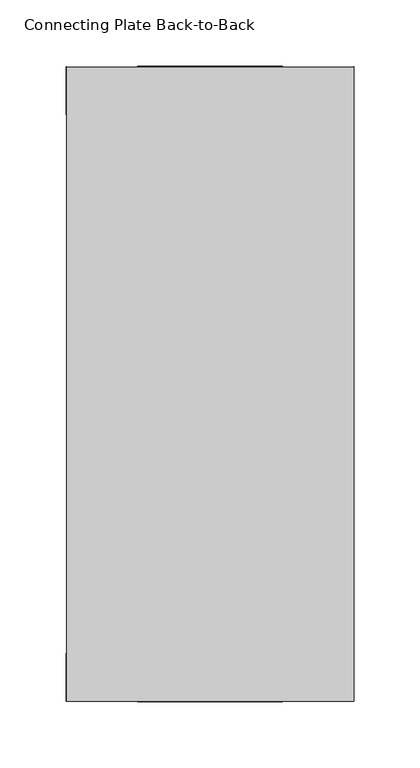
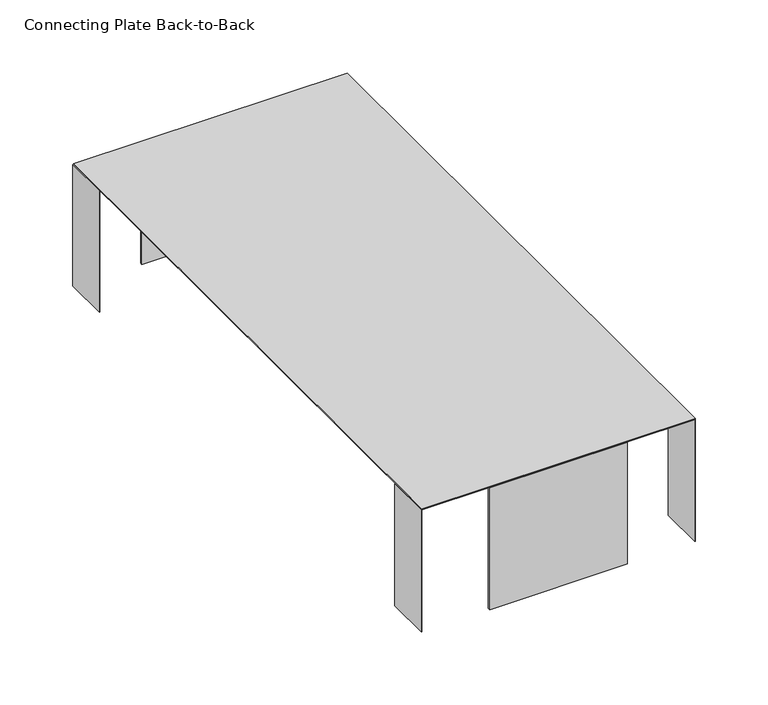
"""IFC4 building model written with IfcOpenShell, lengths in millimetres: furniture geometry, Connecting Plate Back-to-Back."""

from ifc_helpers import new_model, si_unit, frame, origin, place, context, project, spatial, polyline, outline, extrude, source, transform, mapped, element, save


def connecting_plate_back_to_back_7b9cfb0c(model_context):
    return source(origin(), model_context, "Body", "SweptSolid", [
        extrude(outline(polyline([(121.1959787, -239.74287), (121.1959787, -203.5732573), (121.5769783, -203.5732573), (121.5769783, -239.74287), (121.1959787, -239.74287)])), frame((0.0, 0.0, 332.4660802), z_axis=(0.0, 0.0, 1.0), x_axis=(1.0, 0.0, 0.0)), (0.0, 0.0, 1.0), 102.3619932),
        extrude(outline(polyline([(-95.7959787, -203.5732573), (-95.7959787, -239.74287), (-96.1769783, -239.74287), (-96.1769783, -203.5732573), (-95.7959787, -203.5732573)])), frame((0.0, 0.0, 332.4660802), z_axis=(0.0, 0.0, 1.0), x_axis=(1.0, 0.0, 0.0)), (0.0, 0.0, 1.0), 102.3619932),
        extrude(outline(polyline([(121.1959787, 203.5732573), (121.1959787, 239.74287), (121.5769783, 239.74287), (121.5769783, 203.5732573), (121.1959787, 203.5732573)])), frame((0.0, 0.0, 332.4660802), z_axis=(0.0, 0.0, 1.0), x_axis=(1.0, 0.0, 0.0)), (0.0, 0.0, 1.0), 102.3619932),
        extrude(outline(polyline([(-95.7959787, 239.74287), (-95.7959787, 203.5732573), (-96.1769783, 203.5732573), (-96.1769783, 239.74287), (-95.7959787, 239.74287)])), frame((0.0, 0.0, 332.4660802), z_axis=(0.0, 0.0, 1.0), x_axis=(1.0, 0.0, 0.0)), (0.0, 0.0, 1.0), 102.3619932),
        extrude(outline(polyline([(-42.1297095, 240.2768459), (67.529708, 240.2768459), (67.529708, 238.5071906), (-42.1297095, 238.5071906), (-42.1297095, 240.2768459)])), frame((0.0, 0.0, 332.4660802), z_axis=(0.0, 0.0, 1.0), x_axis=(1.0, 0.0, 0.0)), (0.0, 0.0, 1.0), 102.3619932),
        extrude(outline(polyline([(67.529708, -240.2768459), (-42.1297095, -240.2768459), (-42.1297095, -238.5071906), (67.529708, -238.5071906), (67.529708, -240.2768459)])), frame((0.0, 0.0, 332.4660802), z_axis=(0.0, 0.0, 1.0), x_axis=(1.0, 0.0, 0.0)), (0.0, 0.0, 1.0), 102.3619932),
        extrude(outline(polyline([(121.5769813, 239.3104654), (121.5769813, -239.74287), (-95.7959787, -239.74287), (-95.7959787, 239.3104654), (121.5769813, 239.3104654)])), frame((0.0, 0.0, 434.8280734), z_axis=(0.0, 0.0, 1.0), x_axis=(1.0, 0.0, 0.0)), (0.0, 0.0, 1.0), 0.7620174),
    ])


if __name__ == "__main__":
    model = new_model("IFC4")
    model_context = context("Model", 3, world=origin())
    ifc_project = project(units=[si_unit("LENGTHUNIT", "METRE", prefix="MILLI")], contexts=[model_context])
    site = spatial("IfcSite", under=ifc_project)
    building = spatial("IfcBuilding", under=site)
    placement = place(None, origin())
    connecting_plate_back_to_back_shape = connecting_plate_back_to_back_7b9cfb0c(model_context)
    element("IfcFurniture", 1, ObjectType="Connecting Plate Back-to-Back", at=placement, inside=building, context=model_context, shape_type="MappedRepresentation", body=[
        mapped(connecting_plate_back_to_back_shape, transform((0.0, 0.0, 0.0), x_axis=(1.0, 0.0, 0.0), y_axis=(0.0, 1.0, 0.0), z_axis=(0.0, 0.0, 1.0))),
    ])
    save(model, "model.ifc")
